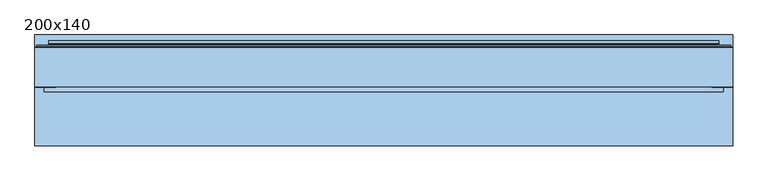
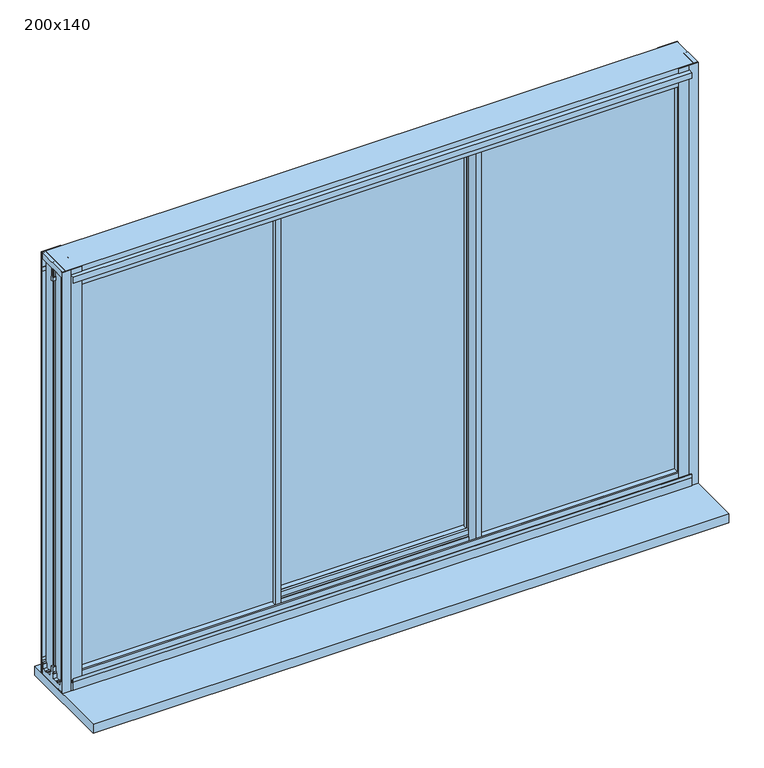
"""IFC4 building model written with IfcOpenShell, lengths in millimetres: window geometry, 200x140."""

from ifc_helpers import new_model, si_unit, frame, origin, place, context, project, spatial, polyline, outline, extrude, faceted_brep, source, transform, mapped, element, save


def window_200x140_74c03a2a(model_context):
    return source(origin(), model_context, "Body", "SolidModel", [
        extrude(outline(polyline([(1421.5, 940.7), (1325.5, 940.7), (1325.5, 966.7), (1421.5, 966.7), (1421.5, 940.7)]), holes=[polyline([(1328.5, 963.7), (1328.5, 943.7), (1418.5, 943.7), (1418.5, 963.7), (1328.5, 963.7)])]), frame((0.0, 32.25, 0.0), z_axis=(0.0, 1.0, 0.0), x_axis=(0.0, 0.0, 1.0)), (0.0, 0.0, 1.0), 10.0),
        extrude(outline(polyline([(1421.5, -888.3), (1421.5, -914.3), (1325.5, -914.3), (1325.5, -888.3), (1421.5, -888.3)]), holes=[polyline([(1328.5, -911.3), (1418.5, -911.3), (1418.5, -891.3), (1328.5, -891.3), (1328.5, -911.3)])]), frame((0.0, 32.65, 0.0), z_axis=(0.0, 1.0, 0.0), x_axis=(0.0, 0.0, 1.0)), (0.0, 0.0, 1.0), 10.0),
        extrude(outline(polyline([(98.65, 2031.9), (98.65, 2014.0), (82.05, 2014.0), (82.05, 2023.4), (74.05, 2023.4), (74.05, 2014.0), (57.45, 2014.0), (57.45, 2031.9), (61.75, 2031.9), (61.75, 2034.1), (67.4000001, 2034.1), (67.4000001, 2043.9), (88.6999999, 2043.9), (88.6999999, 2034.1), (94.35, 2034.1), (94.35, 2031.9), (98.65, 2031.9)])), frame((-290.1333333, 0.0, 0.0), z_axis=(1.0, 0.0, 0.0), x_axis=(0.0, 1.0, 0.0)), (0.0, 0.0, 1.0), 632.6666667),
        extrude(outline(polyline([(98.65, 709.1), (94.35, 709.1), (94.35, 706.9), (88.6999999, 706.9), (88.6999999, 697.1), (67.4000001, 697.1), (67.4000001, 706.9), (61.75, 706.9), (61.75, 709.1), (57.45, 709.1), (57.45, 727.0), (74.05, 727.0), (74.05, 717.6), (82.05, 717.6), (82.05, 727.0), (98.65, 727.0), (98.65, 709.1)])), frame((-290.1333333, 0.0, 0.0), z_axis=(1.0, 0.0, 0.0), x_axis=(0.0, 1.0, 0.0)), (0.0, 0.0, 1.0), 632.6666667),
        extrude(outline(polyline([(-923.7, 20.25), (-923.7, 26.25), (-289.1333333, 26.25), (-289.1333333, 20.25), (-923.7, 20.25)])), frame((0.0, 0.0, 717.8), z_axis=(0.0, 0.0, 1.0), x_axis=(1.0, 0.0, 0.0)), (0.0, 0.0, 1.0), 1305.6),
        extrude(outline(polyline([(976.1, 20.25), (342.5333333, 20.25), (342.5333333, 26.25), (976.1, 26.25), (976.1, 20.25)])), frame((0.0, 0.0, 717.8), z_axis=(0.0, 0.0, 1.0), x_axis=(1.0, 0.0, 0.0)), (0.0, 0.0, 1.0), 1305.6),
        extrude(outline(polyline([(342.5333333, 75.05), (-290.1333333, 75.05), (-290.1333333, 81.05), (342.5333333, 81.05), (342.5333333, 75.05)])), frame((0.0, 0.0, 717.8), z_axis=(0.0, 0.0, 1.0), x_axis=(1.0, 0.0, 0.0)), (0.0, 0.0, 1.0), 1305.6),
        faceted_brep([(-281.1333333, 2.65, 697.1), (-299.1333333, 2.65, 697.1), (-299.1333333, 12.6000001, 697.1), (-944.2, 12.6000001, 697.1), (-944.2, 33.8999999, 697.1), (-299.1333333, 33.8999999, 697.1), (-299.1333333, 43.85, 697.1), (-284.9364704, 43.85, 697.1), (-284.9364704, 50.1440374, 697.1), (-288.2414696, 50.1440374, 697.1), (-292.4491159, 51.5636227, 697.1), (-292.4491159, 53.95, 697.1), (-283.1599431, 53.95, 697.1), (-283.1599431, 43.85, 697.1), (-281.1333333, 43.85, 697.1), (-288.9081444, 32.25, 697.1), (-290.1333333, 32.25, 697.1), (-290.1333333, 14.25, 697.1), (-288.9081444, 14.25, 697.1), (-281.1333333, 2.65, 2043.9), (-281.1333333, 43.85, 2043.9), (-283.1599431, 43.85, 2043.9), (-283.1599431, 53.95, 2043.9), (-292.4491159, 53.95, 2043.9), (-292.4491159, 51.5636227, 2043.9), (-288.2414696, 50.1440374, 2043.9), (-284.9364704, 50.1440374, 2043.9), (-284.9364704, 43.85, 2043.9), (-299.1333333, 43.85, 2043.9), (-299.1333333, 33.8999999, 2043.9), (-944.2, 33.8999999, 2043.9), (-944.2, 12.6000001, 2043.9), (-299.1333333, 12.6000001, 2043.9), (-299.1333333, 2.65, 2043.9), (-288.9081444, 14.25, 2043.9), (-290.1333333, 14.25, 2043.9), (-290.1333333, 32.25, 2043.9), (-288.9081444, 32.25, 2043.9), (-299.1333333, 2.65, 2031.9), (-932.2, 2.65, 2031.9), (-932.2, 2.65, 709.1), (-299.1333333, 2.65, 709.1), (-914.3, 2.65, 2014.0), (-299.1333333, 2.65, 2014.0), (-299.1333333, 2.65, 727.0), (-914.3, 2.65, 727.0), (-299.1333333, 6.95, 709.1), (-299.1333333, 6.95, 706.9), (-299.1333333, 12.6000001, 706.9), (-299.1333333, 12.6000001, 2034.1), (-299.1333333, 6.95, 2034.1), (-299.1333333, 6.95, 2031.9), (-299.1333333, 14.25, 2014.0), (-299.1333333, 14.25, 727.0), (-290.1333333, 14.25, 727.0), (-290.1333333, 14.25, 2014.0), (-290.1333333, 32.25, 2014.0), (-299.1333333, 32.25, 2014.0), (-299.1333333, 32.25, 727.0), (-290.1333333, 32.25, 727.0), (-299.1333333, 33.8999999, 706.9), (-299.1333333, 39.55, 706.9), (-299.1333333, 39.55, 709.1), (-299.1333333, 43.85, 709.1), (-299.1333333, 43.85, 2031.9), (-299.1333333, 39.55, 2031.9), (-299.1333333, 39.55, 2034.1), (-299.1333333, 33.8999999, 2034.1), (-299.1333333, 43.85, 2014.0), (-299.1333333, 43.85, 727.0), (-290.1333333, 20.25, 727.0), (-290.1333333, 26.25, 727.0), (-290.1333333, 26.25, 717.6), (-290.1333333, 20.25, 717.6), (-914.3, 20.25, 727.0), (-923.7, 20.25, 717.6), (-923.7, 20.25, 2023.4), (-290.1333333, 20.25, 2023.4), (-290.1333333, 20.25, 2014.0), (-914.3, 20.25, 2014.0), (-923.7, 26.25, 717.6), (-914.3, 26.25, 727.0), (-914.3, 26.25, 2014.0), (-290.1333333, 26.25, 2014.0), (-290.1333333, 26.25, 2023.4), (-923.7, 26.25, 2023.4), (-914.3, 43.85, 727.0), (-932.2, 43.85, 709.1), (-932.2, 39.55, 709.1), (-934.4, 39.55, 706.9), (-934.4, 39.55, 2034.1), (-932.2, 39.55, 2031.9), (-934.4, 33.8999999, 706.9), (-934.4, 33.8999999, 2034.1), (-934.4, 12.6000001, 706.9), (-934.4, 12.6000001, 2034.1), (-934.4, 6.95, 706.9), (-932.2, 6.95, 709.1), (-932.2, 6.95, 2031.9), (-934.4, 6.95, 2034.1), (-914.3, 43.85, 2014.0), (-932.2, 43.85, 2031.9)], [[[0, 1, 2, 3, 4, 5, 6, 7, 8, 9, 10, 11, 12, 13, 14], [15, 16, 17, 18]], [[19, 20, 21, 22, 23, 24, 25, 26, 27, 28, 29, 30, 31, 32, 33], [34, 35, 36, 37]], [[0, 19, 33, 38, 39, 40, 41, 1], [42, 43, 44, 45]], [[1, 41, 46, 47, 48, 2]], [[32, 49, 50, 51, 38, 33]], [[43, 52, 53, 44]], [[18, 17, 54, 53, 52, 55, 35, 34]], [[18, 34, 37, 15]], [[37, 36, 56, 57, 58, 59, 16, 15]], [[5, 60, 61, 62, 63, 6]], [[28, 64, 65, 66, 67, 29]], [[57, 68, 69, 58]], [[13, 21, 20, 14]], [[70, 54, 17, 16, 59, 71, 72, 73]], [[45, 44, 53, 54, 70, 74]], [[73, 75, 76, 77, 78, 79, 74, 70]], [[72, 80, 75, 73]], [[71, 81, 82, 83, 84, 85, 80, 72]], [[71, 59, 58, 69, 86, 81]], [[87, 63, 62, 88]], [[88, 62, 61, 89, 90, 66, 65, 91]], [[89, 61, 60, 92]], [[92, 60, 5, 4, 30, 29, 67, 93]], [[3, 2, 48, 94, 95, 49, 32, 31]], [[94, 48, 47, 96]], [[96, 47, 46, 97, 98, 51, 50, 99]], [[97, 46, 41, 40]], [[45, 74, 79, 42]], [[75, 80, 85, 76]], [[81, 86, 100, 82]], [[87, 88, 91, 101]], [[89, 92, 93, 90]], [[4, 3, 31, 30]], [[94, 96, 99, 95]], [[39, 98, 97, 40]], [[77, 84, 83, 56, 36, 35, 55, 78]], [[78, 55, 52, 43, 42, 79]], [[76, 85, 84, 77]], [[82, 100, 68, 57, 56, 83]], [[91, 65, 64, 101]], [[93, 67, 66, 90]], [[99, 50, 49, 95]], [[39, 38, 51, 98]], [[14, 20, 19, 0]], [[12, 22, 21, 13]], [[11, 23, 22, 12]], [[10, 24, 23, 11]], [[9, 25, 24, 10]], [[8, 26, 25, 9]], [[7, 27, 26, 8]], [[6, 63, 87, 101, 64, 28, 27, 7], [86, 69, 68, 100]]]),
        faceted_brep([(-299.1333333, 98.65, 697.1), (-281.1333333, 98.65, 697.1), (-281.1333333, 87.05, 697.1), (-291.5067236, 87.05, 697.1), (-291.5067236, 69.05, 697.1), (-281.1333333, 69.05, 697.1), (-281.1333333, 57.45, 697.1), (-295.4150676, 57.45, 697.1), (-295.4150676, 51.1559626, 697.1), (-292.0251971, 51.1559626, 697.1), (-287.8175508, 49.7071538, 697.1), (-287.8175508, 47.35, 697.1), (-297.1915949, 47.35, 697.1), (-297.1915949, 57.45, 697.1), (-299.1333333, 57.45, 697.1), (-299.1333333, 98.65, 2043.9), (-299.1333333, 57.45, 2043.9), (-297.1915949, 57.45, 2043.9), (-297.1915949, 47.35, 2043.9), (-287.8175508, 47.35, 2043.9), (-287.8175508, 49.7071538, 2043.9), (-292.0251971, 51.1559626, 2043.9), (-295.4150676, 51.1559626, 2043.9), (-295.4150676, 57.45, 2043.9), (-281.1333333, 57.45, 2043.9), (-281.1333333, 69.05, 2043.9), (-291.5067236, 69.05, 2043.9), (-291.5067236, 87.05, 2043.9), (-281.1333333, 87.05, 2043.9), (-281.1333333, 98.65, 2043.9)], [[[0, 1, 2, 3, 4, 5, 6, 7, 8, 9, 10, 11, 12, 13, 14]], [[15, 16, 17, 18, 19, 20, 21, 22, 23, 24, 25, 26, 27, 28, 29]], [[0, 15, 29, 1]], [[1, 29, 28, 2]], [[2, 28, 27, 3]], [[3, 27, 26, 4]], [[4, 26, 25, 5]], [[7, 23, 22, 8]], [[8, 22, 21, 9]], [[9, 21, 20, 10]], [[10, 20, 19, 11]], [[11, 19, 18, 12]], [[12, 18, 17, 13]], [[13, 17, 16, 14]], [[14, 16, 15, 0]], [[6, 24, 23, 7]], [[5, 25, 24, 6]]]),
        faceted_brep([(333.5333333, 2.65, 697.1), (333.5333333, 43.85, 697.1), (335.5599431, 43.85, 697.1), (335.5599431, 53.95, 697.1), (344.8491159, 53.95, 697.1), (344.8491159, 51.5636227, 697.1), (340.6414696, 50.1440374, 697.1), (337.3364704, 50.1440374, 697.1), (337.3364704, 43.85, 697.1), (351.5333333, 43.85, 697.1), (351.5333333, 33.8999999, 697.1), (996.6, 33.8999999, 697.1), (996.6, 12.6000001, 697.1), (351.5333333, 12.6000001, 697.1), (351.5333333, 2.65, 697.1), (341.3081444, 32.25, 697.1), (341.3081444, 14.25, 697.1), (342.5333333, 14.25, 697.1), (342.5333333, 32.25, 697.1), (333.5333333, 2.65, 2043.9), (351.5333333, 2.65, 2043.9), (351.5333333, 12.6000001, 2043.9), (996.6, 12.6000001, 2043.9), (996.6, 33.8999999, 2043.9), (351.5333333, 33.8999999, 2043.9), (351.5333333, 43.85, 2043.9), (337.3364704, 43.85, 2043.9), (337.3364704, 50.1440374, 2043.9), (340.6414696, 50.1440374, 2043.9), (344.8491159, 51.5636227, 2043.9), (344.8491159, 53.95, 2043.9), (335.5599431, 53.95, 2043.9), (335.5599431, 43.85, 2043.9), (333.5333333, 43.85, 2043.9), (341.3081444, 14.25, 2043.9), (341.3081444, 32.25, 2043.9), (342.5333333, 32.25, 2043.9), (342.5333333, 14.25, 2043.9), (342.5333333, 27.25, 727.0), (342.5333333, 32.25, 727.0), (342.5333333, 14.25, 727.0), (342.5333333, 19.25, 727.0), (342.5333333, 19.25, 717.6), (342.5333333, 27.25, 717.6), (342.5333333, 19.25, 2014.0), (342.5333333, 14.25, 2014.0), (342.5333333, 32.25, 2014.0), (342.5333333, 27.25, 2014.0), (342.5333333, 27.25, 2023.4), (342.5333333, 19.25, 2023.4), (966.7, 43.85, 727.0), (351.5333333, 43.85, 727.0), (351.5333333, 32.25, 727.0), (966.7, 27.25, 727.0), (976.1, 27.25, 717.6), (976.1, 27.25, 2023.4), (966.7, 27.25, 2014.0), (976.1, 19.25, 717.6), (966.7, 19.25, 727.0), (966.7, 19.25, 2014.0), (976.1, 19.25, 2023.4), (351.5333333, 14.25, 727.0), (351.5333333, 2.65, 727.0), (966.7, 2.65, 727.0), (984.6, 2.65, 709.1), (351.5333333, 2.65, 709.1), (351.5333333, 6.95, 709.1), (984.6, 6.95, 709.1), (351.5333333, 6.95, 706.9), (986.8, 6.95, 706.9), (986.8, 6.95, 2034.1), (351.5333333, 6.95, 2034.1), (351.5333333, 6.95, 2031.9), (984.6, 6.95, 2031.9), (351.5333333, 12.6000001, 706.9), (986.8, 12.6000001, 706.9), (351.5333333, 12.6000001, 2034.1), (986.8, 12.6000001, 2034.1), (351.5333333, 33.8999999, 706.9), (986.8, 33.8999999, 706.9), (986.8, 33.8999999, 2034.1), (351.5333333, 33.8999999, 2034.1), (351.5333333, 39.55, 706.9), (986.8, 39.55, 706.9), (351.5333333, 39.55, 709.1), (984.6, 39.55, 709.1), (984.6, 39.55, 2031.9), (351.5333333, 39.55, 2031.9), (351.5333333, 39.55, 2034.1), (986.8, 39.55, 2034.1), (351.5333333, 43.85, 709.1), (984.6, 43.85, 709.1), (966.7, 43.85, 2014.0), (966.7, 2.65, 2014.0), (984.6, 2.65, 2031.9), (984.6, 43.85, 2031.9), (351.5333333, 32.25, 2014.0), (351.5333333, 43.85, 2014.0), (351.5333333, 2.65, 2014.0), (351.5333333, 14.25, 2014.0), (351.5333333, 2.65, 2031.9), (351.5333333, 43.85, 2031.9)], [[[0, 1, 2, 3, 4, 5, 6, 7, 8, 9, 10, 11, 12, 13, 14], [15, 16, 17, 18]], [[19, 20, 21, 22, 23, 24, 25, 26, 27, 28, 29, 30, 31, 32, 33], [34, 35, 36, 37]], [[38, 39, 18, 17, 40, 41, 42, 43]], [[44, 45, 37, 36, 46, 47, 48, 49]], [[50, 51, 52, 39, 38, 53]], [[43, 54, 55, 48, 47, 56, 53, 38]], [[42, 57, 54, 43]], [[41, 58, 59, 44, 49, 60, 57, 42]], [[41, 40, 61, 62, 63, 58]], [[64, 65, 66, 67]], [[67, 66, 68, 69, 70, 71, 72, 73]], [[69, 68, 74, 75]], [[75, 74, 13, 12, 22, 21, 76, 77]], [[11, 10, 78, 79, 80, 81, 24, 23]], [[79, 78, 82, 83]], [[83, 82, 84, 85, 86, 87, 88, 89]], [[85, 84, 90, 91]], [[50, 53, 56, 92]], [[54, 57, 60, 55]], [[58, 63, 93, 59]], [[64, 67, 73, 94]], [[69, 75, 77, 70]], [[12, 11, 23, 22]], [[79, 83, 89, 80]], [[95, 86, 85, 91]], [[47, 46, 96, 97, 92, 56]], [[48, 55, 60, 49]], [[59, 93, 98, 99, 45, 44]], [[73, 72, 100, 94]], [[77, 76, 71, 70]], [[89, 88, 81, 80]], [[95, 101, 87, 86]], [[14, 65, 64, 94, 100, 20, 19, 0], [98, 93, 63, 62]], [[62, 61, 99, 98]], [[13, 74, 68, 66, 65, 14]], [[20, 100, 72, 71, 76, 21]], [[34, 37, 45, 99, 61, 40, 17, 16]], [[15, 35, 34, 16]], [[15, 18, 39, 52, 96, 46, 36, 35]], [[52, 51, 97, 96]], [[24, 81, 88, 87, 101, 25]], [[9, 90, 84, 82, 78, 10]], [[8, 26, 25, 101, 95, 91, 90, 9], [51, 50, 92, 97]], [[7, 27, 26, 8]], [[6, 28, 27, 7]], [[5, 29, 28, 6]], [[4, 30, 29, 5]], [[3, 31, 30, 4]], [[2, 32, 31, 3]], [[1, 33, 32, 2]], [[0, 19, 33, 1]]]),
        faceted_brep([(351.5333333, 98.65, 697.1), (351.5333333, 57.45, 697.1), (349.5915949, 57.45, 697.1), (349.5915949, 47.35, 697.1), (340.2175508, 47.35, 697.1), (340.2175508, 49.7071538, 697.1), (344.4251971, 51.1559626, 697.1), (347.8150676, 51.1559626, 697.1), (347.8150676, 57.45, 697.1), (333.5333333, 57.45, 697.1), (333.5333333, 69.05, 697.1), (343.9067236, 69.05, 697.1), (343.9067236, 87.05, 697.1), (333.5333333, 87.05, 697.1), (333.5333333, 98.65, 697.1), (351.5333333, 98.65, 2043.9), (333.5333333, 98.65, 2043.9), (333.5333333, 87.05, 2043.9), (343.9067236, 87.05, 2043.9), (343.9067236, 69.05, 2043.9), (333.5333333, 69.05, 2043.9), (333.5333333, 57.45, 2043.9), (347.8150676, 57.45, 2043.9), (347.8150676, 51.1559626, 2043.9), (344.4251971, 51.1559626, 2043.9), (340.2175508, 49.7071538, 2043.9), (340.2175508, 47.35, 2043.9), (349.5915949, 47.35, 2043.9), (349.5915949, 57.45, 2043.9), (351.5333333, 57.45, 2043.9)], [[[0, 1, 2, 3, 4, 5, 6, 7, 8, 9, 10, 11, 12, 13, 14]], [[15, 16, 17, 18, 19, 20, 21, 22, 23, 24, 25, 26, 27, 28, 29]], [[14, 16, 15, 0]], [[13, 17, 16, 14]], [[12, 18, 17, 13]], [[11, 19, 18, 12]], [[10, 20, 19, 11]], [[9, 21, 20, 10]], [[8, 22, 21, 9]], [[7, 23, 22, 8]], [[6, 24, 23, 7]], [[5, 25, 24, 6]], [[4, 26, 25, 5]], [[3, 27, 26, 4]], [[2, 28, 27, 3]], [[1, 29, 28, 2]], [[0, 15, 29, 1]]]),
        extrude(outline(polyline([(-19.55, 2056.5), (-4.95, 2056.5), (-4.95, 2055.0), (-17.55, 2055.0), (-17.55, 2037.5), (-19.55, 2037.5), (-19.55, 2056.5)])), frame((-946.45, 0.0, 0.0), z_axis=(1.0, 0.0, 0.0), x_axis=(0.0, 1.0, 0.0)), (0.0, 0.0, 1.0), 1945.3),
        extrude(outline(polyline([(-19.55, 682.9), (-19.55, 708.9), (-16.65, 708.9), (-16.05, 709.5), (-19.55, 709.5), (-19.55, 720.6), (-17.55, 720.6), (-17.55, 711.0), (-13.95, 711.0), (-13.95, 708.6), (-4.95, 708.6), (-4.95, 704.1), (-18.35, 704.1), (-18.35, 682.9), (-19.55, 682.9)])), frame((-946.45, 0.0, 0.0), z_axis=(1.0, 0.0, 0.0), x_axis=(0.0, 1.0, 0.0)), (0.0, 0.0, 1.0), 1945.3),
        extrude(outline(polyline([(-0.85, 729.0), (-0.85, 711.8), (0.0941191, 711.8), (1.55, 707.8), (4.3, 707.8), (4.3, 692.6), (21.0, 692.6), (21.0, 696.5731379), (25.5, 696.5731379), (25.5, 692.6), (42.2, 692.6), (42.2, 707.8), (44.9, 707.8), (46.3558809, 711.8), (47.35, 711.8), (47.35, 729.0), (53.95, 729.0), (53.95, 711.8), (54.9441191, 711.8), (56.4, 707.8), (59.1, 707.8), (59.1, 692.6), (75.8, 692.6), (75.8, 696.5731379), (80.3, 696.5731379), (80.3, 692.6), (97.0, 692.6), (97.0, 707.8), (99.75, 707.8), (101.2058809, 711.8), (104.75, 711.8), (104.75, 717.8), (102.15, 717.8), (102.15, 729.0), (106.25, 729.0), (106.25, 673.5), (15.05, 673.5), (15.05, 676.5), (-4.95, 676.5), (-4.95, 729.0), (-0.85, 729.0)])), frame((-973.8, 0.0, 0.0), z_axis=(1.0, 0.0, 0.0), x_axis=(0.0, 1.0, 0.0)), (0.0, 0.0, 1.0), 2000.0),
        extrude(outline(polyline([(-0.85, 2012.0), (-4.95, 2012.0), (-4.95, 2073.5), (106.25, 2073.5), (106.25, 2012.0), (102.15, 2012.0), (102.15, 2026.5), (104.75, 2026.5), (104.75, 2055.0), (51.4, 2055.0), (51.4, 2024.7), (53.95, 2024.7), (53.95, 2012.0), (47.35, 2012.0), (47.35, 2024.7), (49.9, 2024.7), (49.9, 2055.0), (-3.45, 2055.0), (-3.45, 2026.5), (-0.85, 2026.5), (-0.85, 2012.0)])), frame((-973.8, 0.0, 0.0), z_axis=(1.0, 0.0, 0.0), x_axis=(0.0, 1.0, 0.0)), (0.0, 0.0, 1.0), 2000.0),
        extrude(outline(polyline([(-960.95, -5.3), (-924.65, -5.3), (-924.65, -0.85), (-913.45, -0.85), (-913.45, -6.8), (-946.5952323, -6.8), (-973.8, -6.8), (-973.8, -0.5850342), (-962.75, -0.5850342), (-962.75, 49.9), (-969.028222, 49.9), (-969.028222, 51.425037), (-962.75, 51.425037), (-962.75, 101.8850342), (-973.8, 101.8850342), (-973.8, 108.1), (-913.45, 108.1), (-913.45, 47.35), (-924.65, 47.35), (-924.65, 49.9), (-960.95, 49.9), (-960.95, 22.7303848), (-960.95, -5.3)])), frame((0.0, 0.0, 673.5), z_axis=(0.0, 0.0, 1.0), x_axis=(1.0, 0.0, 0.0)), (0.0, 0.0, 1.0), 1400.0),
        extrude(outline(polyline([(1013.35, -5.3), (1013.35, 22.7303848), (1013.35, 49.9), (977.05, 49.9), (977.05, 47.35), (965.85, 47.35), (965.85, 108.1), (1026.2, 108.1), (1026.2, 101.8850342), (1015.15, 101.8850342), (1015.15, 51.425037), (1021.428222, 51.425037), (1021.428222, 49.9), (1015.15, 49.9), (1015.15, -0.5850342), (1026.2, -0.5850342), (1026.2, -6.8), (998.9952323, -6.8), (965.85, -6.8), (965.85, -0.85), (977.05, -0.85), (977.05, -5.3), (1013.35, -5.3)])), frame((0.0, 0.0, 673.5), z_axis=(0.0, 0.0, 1.0), x_axis=(1.0, 0.0, 0.0)), (0.0, 0.0, 1.0), 1400.0),
        extrude(outline(polyline([(1026.2, -173.75), (-973.8, -173.75), (-973.8, 143.25), (1026.2, 143.25), (1026.2, -173.75)])), frame((0.0, 0.0, 643.5), z_axis=(0.0, 0.0, 1.0), x_axis=(1.0, 0.0, 0.0)), (0.0, 0.0, 1.0), 30.0),
        faceted_brep([(965.85, 106.25, 729.0), (965.85, 106.25, 2012.0), (965.85, 126.4, 2012.0), (965.85, 126.4, 729.0), (1016.5502862, 110.5, 678.2997138), (1016.5502862, 110.5, 2062.7002862), (1016.5502862, 106.25, 2062.7002862), (1016.5502862, 106.25, 678.2997138), (1021.35, 114.1, 673.5), (1021.35, 114.1, 2067.5), (1021.35, 110.5, 2067.5), (1021.35, 110.5, 673.5), (986.35, 117.0431112, 708.5), (986.35, 117.0431112, 2032.5), (986.35, 114.1, 2032.5), (986.35, 114.1, 708.5), (986.95, 117.9, 707.9), (986.95, 117.9, 2033.1), (986.95, 126.4, 707.9), (986.95, 126.4, 2033.1), (-913.45, 106.25, 2012.0), (-913.45, 126.4, 2012.0), (-964.1502862, 110.5, 2062.7002862), (-964.1502862, 106.25, 2062.7002862), (-968.95, 114.1, 2067.5), (-968.95, 110.5, 2067.5), (-933.95, 117.0431112, 2032.5), (-933.95, 114.1, 2032.5), (-934.55, 117.9, 2033.1), (-934.55, 126.4, 2033.1), (-913.45, 106.25, 729.0), (-913.45, 126.4, 729.0), (-964.1502862, 110.5, 678.2997138), (-964.1502862, 106.25, 678.2997138), (-968.95, 114.1, 673.5), (-968.95, 110.5, 673.5), (-933.95, 117.0431112, 708.5), (-933.95, 114.1, 708.5), (-934.55, 117.9, 707.9), (-934.55, 126.4, 707.9)], [[[0, 1, 2, 3]], [[4, 5, 6, 7]], [[8, 9, 10, 11]], [[12, 13, 14, 15]], [[16, 17, 13, 12]], [[18, 19, 17, 16]], [[1, 20, 21, 2]], [[5, 22, 23, 6]], [[9, 24, 25, 10]], [[13, 26, 27, 14]], [[17, 28, 26, 13]], [[19, 29, 28, 17]], [[20, 30, 31, 21]], [[22, 32, 33, 23]], [[24, 34, 35, 25]], [[26, 36, 37, 27]], [[28, 38, 36, 26]], [[29, 39, 38, 28]], [[19, 18, 39, 29], [3, 2, 21, 31]], [[30, 0, 3, 31]], [[7, 6, 23, 33], [1, 0, 30, 20]], [[32, 4, 7, 33]], [[11, 10, 25, 35], [5, 4, 32, 22]], [[34, 8, 11, 35]], [[9, 8, 34, 24], [15, 14, 27, 37]], [[36, 12, 15, 37]], [[38, 16, 12, 36]], [[39, 18, 16, 38]]]),
    ])


if __name__ == "__main__":
    model = new_model("IFC4")
    model_context = context("Model", 3, world=origin())
    ifc_project = project(units=[si_unit("LENGTHUNIT", "METRE", prefix="MILLI")], contexts=[model_context])
    site = spatial("IfcSite", under=ifc_project)
    building = spatial("IfcBuilding", under=site)
    placement = place(None, origin())
    window_200x140_shape = window_200x140_74c03a2a(model_context)
    element("IfcWindow", 1, ObjectType="200x140", at=placement, inside=building, context=model_context, shape_type="MappedRepresentation", body=[
        mapped(window_200x140_shape, transform((0.0, 0.0, 0.0), x_axis=(1.0, 0.0, 0.0), y_axis=(0.0, 1.0, 0.0), z_axis=(0.0, 0.0, 1.0))),
    ])
    save(model, "model.ifc")
